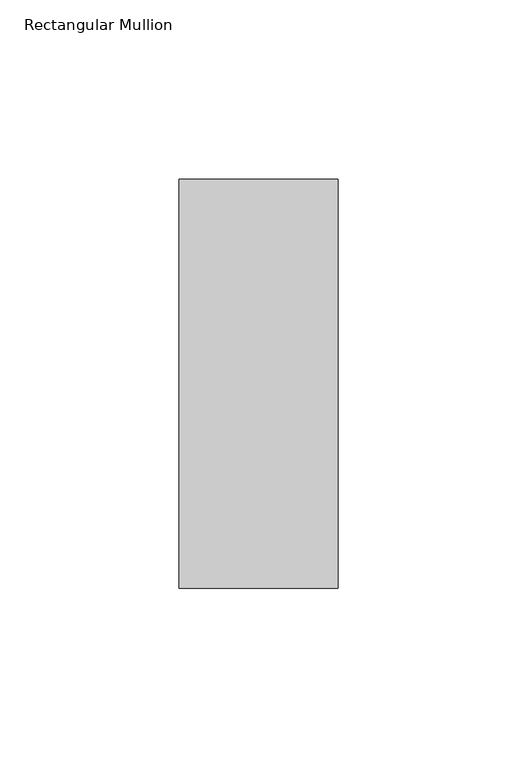
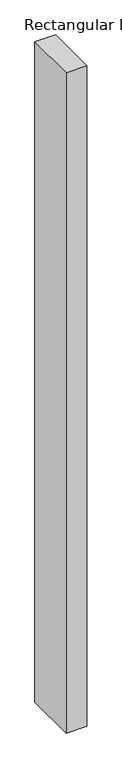
"""IFC4 building model written with IfcOpenShell, lengths in millimetres: member geometry, Rectangular Mullion."""

from ifc_helpers import new_model, si_unit, frame, origin, place, context, project, spatial, polyline, outline, extrude, source, transform, mapped, element, save


def rectangular_mullion_37cebe58(model_context):
    return source(origin(), model_context, "Body", "SweptSolid", [
        extrude(outline(polyline([(22.2136654, 57.1373), (22.2136654, -57.1079043), (-22.225, -57.1079043), (-22.225, 57.1373), (22.2136654, 57.1373)])), frame((0.0, 0.0, -1479.5613346), z_axis=(0.0, 0.0, 1.0), x_axis=(1.0, 0.0, 0.0)), (0.0, 0.0, 1.0), 1479.5613346),
    ])


if __name__ == "__main__":
    model = new_model("IFC4")
    model_context = context("Model", 3, world=origin())
    ifc_project = project(units=[si_unit("LENGTHUNIT", "METRE", prefix="MILLI")], contexts=[model_context])
    site = spatial("IfcSite", under=ifc_project)
    building = spatial("IfcBuilding", under=site)
    placement = place(None, origin())
    rectangular_mullion_shape = rectangular_mullion_37cebe58(model_context)
    element("IfcMember", 1, ObjectType="Rectangular Mullion", at=placement, inside=building, context=model_context, shape_type="MappedRepresentation", body=[
        mapped(rectangular_mullion_shape, transform((0.0, 0.0, 0.0), x_axis=(1.0, 0.0, 0.0), y_axis=(0.0, 1.0, 0.0), z_axis=(0.0, 0.0, 1.0))),
    ])
    save(model, "model.ifc")
